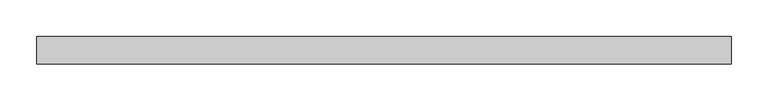
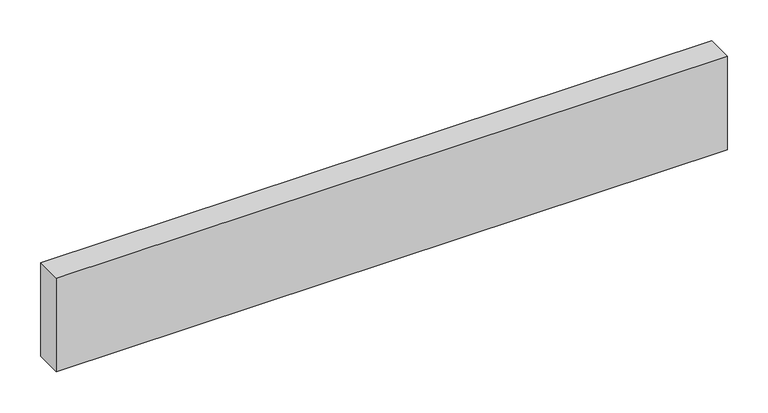
"""IFC4 building model written with IfcOpenShell, lengths in millimetres: beam geometry."""

from ifc_helpers import new_model, si_unit, frame, origin, place, context, project, spatial, polyline, outline, extrude, source, transform, mapped, element, save


def beam_4f3ec0c0(model_context):
    return source(origin(), model_context, "Body", "SweptSolid", [
        extrude(outline(polyline([(474.7617187, -19.05), (-474.7617188, -19.05), (-474.7617188, 19.05), (474.7617187, 19.05), (474.7617187, -19.05)])), frame((0.0, 0.0, -69.85), z_axis=(0.0, 0.0, 1.0), x_axis=(1.0, 0.0, 0.0)), (0.0, 0.0, 1.0), 139.7),
    ])


if __name__ == "__main__":
    model = new_model("IFC4")
    model_context = context("Model", 3, world=origin())
    ifc_project = project(units=[si_unit("LENGTHUNIT", "METRE", prefix="MILLI")], contexts=[model_context])
    site = spatial("IfcSite", under=ifc_project)
    building = spatial("IfcBuilding", under=site)
    placement = place(None, origin())
    beam_shape = beam_4f3ec0c0(model_context)
    element("IfcBeam", 1, at=placement, inside=building, context=model_context, shape_type="MappedRepresentation", body=[
        mapped(beam_shape, transform((0.0, 0.0, 0.0), x_axis=(1.0, 0.0, 0.0), y_axis=(0.0, 1.0, 0.0), z_axis=(0.0, 0.0, 1.0))),
    ])
    save(model, "model.ifc")
